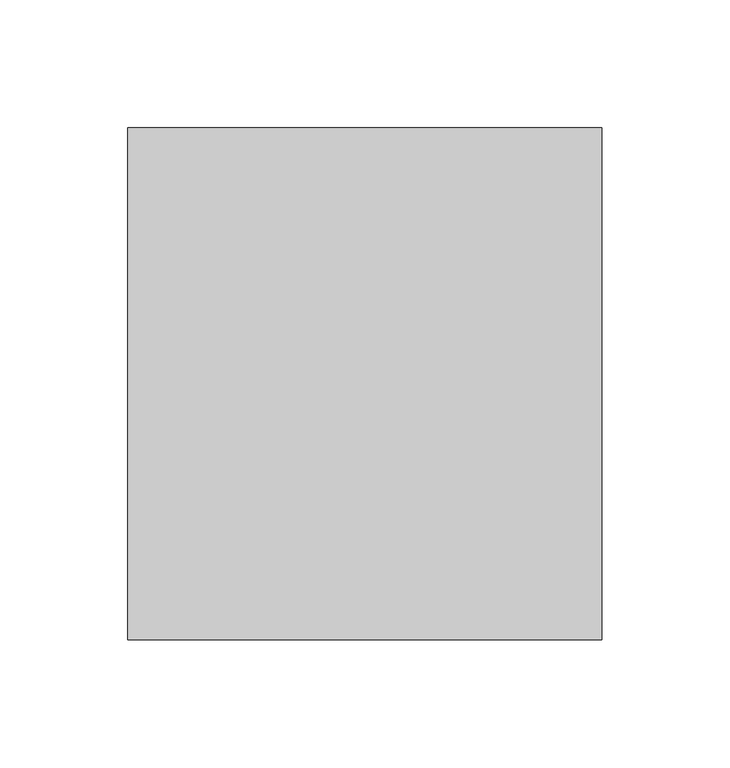
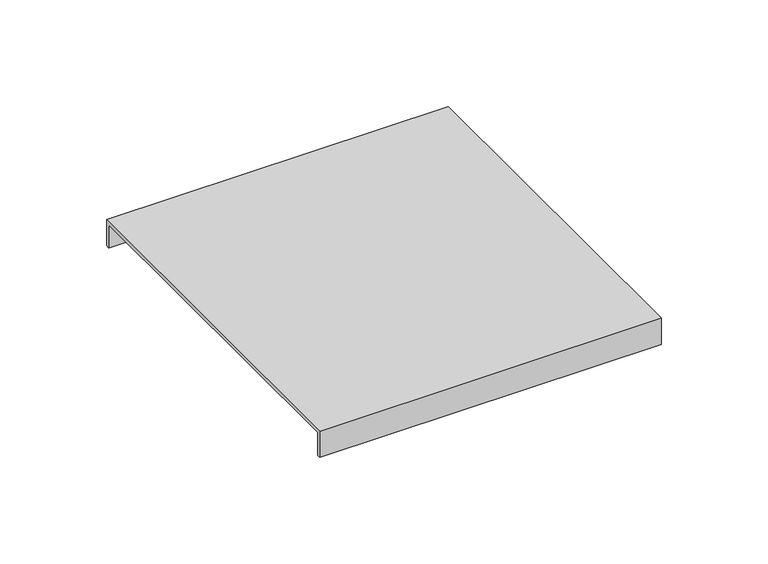
"""IFC4 building model written with IfcOpenShell, lengths in millimetres: furniture geometry."""

from ifc_helpers import new_model, si_unit, frame, origin, place, context, project, spatial, polyline, outline, extrude, source, transform, mapped, element, save


def furniture_6985f890(model_context):
    return source(origin(), model_context, "Body", "SweptSolid", [
        extrude(outline(polyline([(100.0, 515.0), (100.0, 500.0), (98.0, 500.0), (98.0, 513.0), (-98.0, 513.0), (-98.0, 500.0), (-100.0, 500.0), (-100.0, 515.0), (100.0, 515.0)])), frame((-1105.0, 0.0, 0.0), z_axis=(1.0, 0.0, 0.0), x_axis=(0.0, 1.0, 0.0)), (0.0, 0.0, 1.0), 185.0),
    ])


if __name__ == "__main__":
    model = new_model("IFC4")
    model_context = context("Model", 3, world=origin())
    ifc_project = project(units=[si_unit("LENGTHUNIT", "METRE", prefix="MILLI")], contexts=[model_context])
    site = spatial("IfcSite", under=ifc_project)
    building = spatial("IfcBuilding", under=site)
    placement = place(None, origin())
    furniture_shape = furniture_6985f890(model_context)
    element("IfcFurniture", 1, at=placement, inside=building, context=model_context, shape_type="MappedRepresentation", body=[
        mapped(furniture_shape, transform((0.0, 0.0, 0.0), x_axis=(1.0, 0.0, 0.0), y_axis=(0.0, 1.0, 0.0), z_axis=(0.0, 0.0, 1.0))),
    ])
    save(model, "model.ifc")
